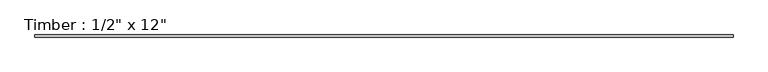
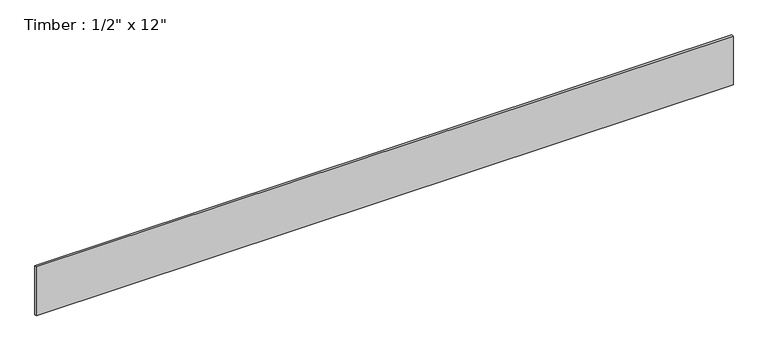
"""IFC4 building model written with IfcOpenShell, lengths in millimetres: beam geometry."""

from ifc_helpers import new_model, si_unit, frame, origin, place, context, project, spatial, polyline, outline, extrude, source, transform, mapped, element, save


def beam_82c07567(model_context):
    return source(origin(), model_context, "Body", "SweptSolid", [
        extrude(outline(polyline([(2057.4, 6.35), (2057.4, -6.35), (-2057.4, -6.35), (-2057.4, 6.35), (2057.4, 6.35)])), frame((0.0, 0.0, -152.4), z_axis=(0.0, 0.0, 1.0), x_axis=(1.0, 0.0, 0.0)), (0.0, 0.0, 1.0), 304.8),
    ])


if __name__ == "__main__":
    model = new_model("IFC4")
    model_context = context("Model", 3, world=origin())
    ifc_project = project(units=[si_unit("LENGTHUNIT", "METRE", prefix="MILLI")], contexts=[model_context])
    site = spatial("IfcSite", under=ifc_project)
    building = spatial("IfcBuilding", under=site)
    placement = place(None, origin())
    beam_shape = beam_82c07567(model_context)
    element("IfcBeam", 1, ObjectType="Timber : 1/2\" x 12\"", at=placement, inside=building, context=model_context, shape_type="MappedRepresentation", body=[
        mapped(beam_shape, transform((0.0, 0.0, 0.0), x_axis=(1.0, 0.0, 0.0), y_axis=(0.0, 1.0, 0.0), z_axis=(0.0, 0.0, 1.0))),
    ])
    save(model, "model.ifc")
